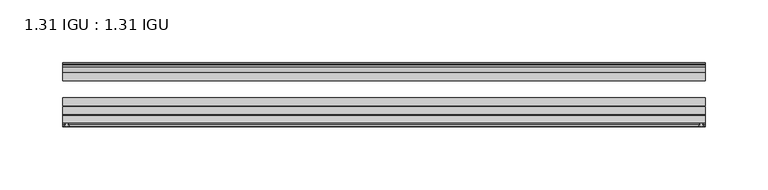
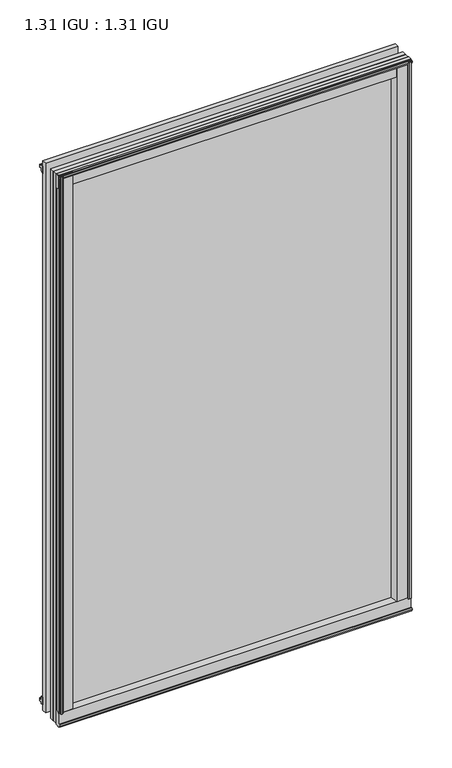
"""IFC4 building model written with IfcOpenShell, lengths in millimetres: plate geometry, 1.31 IGU : 1.31 IGU."""

from ifc_helpers import new_model, si_unit, point, frame, frame_2d, origin, origin_with_axes, place, context, project, spatial, polyline, circle_curve, trimmed, segment, composite_curve, outline, extrude, source, transform, mapped, element, save


def plate_1_31_igu_1_31_igu_50951445(model_context):
    return source(origin(), model_context, "Body", "SweptSolid", [
        extrude(outline(composite_curve([segment(polyline([(251.596726, -57.6333938), (235.4119791, -57.6333938)]), True, "CONTINUOUS"), segment(trimmed(circle_curve(frame_2d((228.1172499, -57.6547678)), 7.2947605), [point((235.4119791, -57.6333938))], [point((231.6695905, -51.2833938))], True, "CARTESIAN"), True, "CONTINUOUS"), segment(polyline([(231.6695905, -51.2833938), (254.5400114, -51.2833938)]), True, "CONTINUOUS"), segment(trimmed(circle_curve(frame_2d((254.5400114, -52.0707938)), 0.7874), [point((254.5400114, -51.2833938))], [point((255.3215422, -51.9748338))], False, "CARTESIAN"), True, "CONTINUOUS"), segment(polyline([(255.3215422, -51.9748338), (256.016326, -57.6333938), (254.085926, -57.6333938), (253.628726, -59.624458), (254.6300879, -59.3561439), (254.873326, -60.263921), (252.841326, -60.8083938), (250.809326, -60.263921), (251.0525641, -59.3561439), (252.053926, -59.624458), (251.596726, -57.6333938)]), True, "CONTINUOUS")], self_intersect=False)), origin_with_axes(), (0.0, 0.0, 1.0), 825.5),
        extrude(outline(composite_curve([segment(polyline([(-235.7096354, -57.6333937), (-251.8943823, -57.6333937), (-252.3515823, -59.624458), (-251.3502204, -59.3561439), (-251.1069823, -60.263921), (-253.1389823, -60.8083937), (-255.1709823, -60.263921), (-254.9277441, -59.3561439), (-253.9263823, -59.624458), (-254.3835823, -57.6333937), (-256.3139823, -57.6333937), (-255.6191985, -51.9748338)]), True, "CONTINUOUS"), segment(trimmed(circle_curve(frame_2d((-254.8376676, -52.0707937)), 0.7874), [point((-255.6191985, -51.9748338))], [point((-254.8376676, -51.2833937))], False, "CARTESIAN"), True, "CONTINUOUS"), segment(polyline([(-254.8376676, -51.2833937), (-231.9672467, -51.2833937)]), True, "CONTINUOUS"), segment(trimmed(circle_curve(frame_2d((-228.4149062, -57.6547678)), 7.2947605), [point((-231.9672467, -51.2833937))], [point((-235.7096354, -57.6333937))], True, "CARTESIAN"), True, "CONTINUOUS")], self_intersect=False)), origin_with_axes(), (0.0, 0.0, 1.0), 825.5),
        extrude(outline(polyline([(-9.7543937, -6.8579998), (-10.4009552, -9.2709998), (-11.2596632, -9.0409097), (-10.8839895, -7.6388763), (-13.1833937, -8.3819998), (-13.1833937, -11.7850089), (-17.9585937, -10.1533914), (-17.9585937, 0.6595133), (-13.1833937, -0.5079998), (-13.1833937, -5.4609998), (-10.8839895, -6.0771233), (-11.2596632, -4.6750899), (-10.4009552, -4.4449998), (-9.7543937, -6.8579998)])), frame((-256.3471354, 0.0, 0.0), z_axis=(1.0, 0.0, 0.0), x_axis=(0.0, 1.0, 0.0)), (0.0, 0.0, 1.0), 512.3966145),
        extrude(outline(composite_curve([segment(polyline([(-51.9748338, -19.930016), (-57.6333937, -20.6247998), (-57.6333937, -18.6943998), (-59.624458, -18.2371998), (-59.3561439, -19.2385617), (-60.263921, -19.4817998), (-60.8083937, -17.4497998), (-60.263921, -15.4177998), (-59.3561439, -15.6610379), (-59.624458, -16.6623998), (-57.6333937, -16.2051998), (-57.6333937, 0.0127002)]), True, "CONTINUOUS"), segment(trimmed(circle_curve(frame_2d((-58.1588233, 7.9620141)), 7.9666598), [point((-57.6333937, 0.0127002))], [point((-51.2833937, 3.9375717))], True, "CARTESIAN"), True, "CONTINUOUS"), segment(polyline([(-51.2833937, 3.9375717), (-51.2833937, -19.1484852)]), True, "CONTINUOUS"), segment(trimmed(circle_curve(frame_2d((-52.0707937, -19.1484852)), 0.7874), [point((-51.2833937, -19.1484852))], [point((-51.9748338, -19.930016))], False, "CARTESIAN"), True, "CONTINUOUS")], self_intersect=False)), frame((-256.3471354, 0.0, 0.0), z_axis=(1.0, 0.0, 0.0), x_axis=(0.0, 1.0, 0.0)), (0.0, 0.0, 1.0), 512.3966145),
        extrude(outline(polyline([(-17.9585937, 816.6033914), (-13.1833937, 818.2350089), (-13.1833937, 814.8319998), (-10.8839895, 814.0888763), (-11.2596632, 815.4909097), (-10.4009552, 815.7209998), (-9.7543937, 813.3079998), (-10.4009552, 810.8949998), (-11.2596632, 811.1250899), (-10.8839895, 812.5271233), (-13.1833937, 811.9109998), (-13.1833937, 806.9579998), (-17.9585937, 805.7904867), (-17.9585937, 816.6033914)])), frame((-256.3471354, 0.0, 0.0), z_axis=(1.0, 0.0, 0.0), x_axis=(0.0, 1.0, 0.0)), (0.0, 0.0, 1.0), 512.3966145),
        extrude(outline(composite_curve([segment(trimmed(circle_curve(frame_2d((-52.0707937, 825.5984852)), 0.7874), [point((-51.9748338, 826.380016))], [point((-51.2833937, 825.5984852))], False, "CARTESIAN"), True, "CONTINUOUS"), segment(polyline([(-51.2833937, 825.5984852), (-51.2833937, 802.5124283)]), True, "CONTINUOUS"), segment(trimmed(circle_curve(frame_2d((-58.1588233, 798.4879859)), 7.9666598), [point((-51.2833937, 802.5124283))], [point((-57.6333937, 806.4372998))], True, "CARTESIAN"), True, "CONTINUOUS"), segment(polyline([(-57.6333937, 806.4372998), (-57.6333937, 822.6551998), (-59.624458, 823.1123998), (-59.3561439, 822.1110379), (-60.263921, 821.8677998), (-60.8083937, 823.8997998), (-60.263921, 825.9317998), (-59.3561439, 825.6885617), (-59.624458, 824.6871998), (-57.6333937, 825.1443998), (-57.6333937, 827.0747998), (-51.9748338, 826.380016)]), True, "CONTINUOUS")], self_intersect=False)), frame((-256.3471354, 0.0, 0.0), z_axis=(1.0, 0.0, 0.0), x_axis=(0.0, 1.0, 0.0)), (0.0, 0.0, 1.0), 512.3966145),
        extrude(outline(polyline([(-244.9360116, -10.8839895), (-246.338045, -11.2596632), (-246.5681352, -10.4009552), (-244.1551352, -9.7543937), (-241.7421352, -10.4009552), (-241.9722253, -11.2596632), (-243.3742587, -10.8839895), (-242.7581352, -13.1833937), (-237.8051352, -13.1833937), (-236.637622, -17.9585937), (-247.4505268, -17.9585937), (-249.0821443, -13.1833937), (-245.6791352, -13.1833937), (-244.9360116, -10.8839895)])), origin_with_axes(), (0.0, 0.0, 1.0), 806.45),
        extrude(outline(polyline([(244.9487118, -10.8839895), (245.6918354, -13.1833937), (249.0948445, -13.1833937), (247.463227, -17.9585937), (236.6503223, -17.9585937), (237.8178354, -13.1833937), (242.7708354, -13.1833937), (243.3869589, -10.8839895), (241.9849255, -11.2596632), (241.7548354, -10.4009552), (244.1678354, -9.7543937), (246.5808354, -10.4009552), (246.3507452, -11.2596632), (244.9487118, -10.8839895)])), origin_with_axes(), (0.0, 0.0, 1.0), 806.45),
        extrude(outline(polyline([(256.0494791, -17.9585937), (256.0494791, -24.3085937), (-256.3471354, -24.3085937), (-256.3471354, -17.9585937), (256.0494791, -17.9585937)])), frame((0.0, 0.0, -19.0372998), z_axis=(0.0, 0.0, 1.0), x_axis=(1.0, 0.0, 0.0)), (0.0, 0.0, 1.0), 844.5372998),
        extrude(outline(polyline([(-256.3471354, -44.1459937), (-256.3471354, -37.7959937), (256.0494791, -37.7959937), (256.0494791, -44.1459937), (-256.3471354, -44.1459937)])), frame((0.0, 0.0, -19.0372998), z_axis=(0.0, 0.0, 1.0), x_axis=(1.0, 0.0, 0.0)), (0.0, 0.0, 1.0), 844.5372998),
        extrude(outline(polyline([(-256.3471354, -51.2833937), (-256.3471354, -44.9333937), (256.0494791, -44.9333937), (256.0494791, -51.2833937), (-256.3471354, -51.2833937)])), frame((0.0, 0.0, -19.0372998), z_axis=(0.0, 0.0, 1.0), x_axis=(1.0, 0.0, 0.0)), (0.0, 0.0, 1.0), 844.5372998),
    ])


if __name__ == "__main__":
    model = new_model("IFC4")
    model_context = context("Model", 3, world=origin())
    ifc_project = project(units=[si_unit("LENGTHUNIT", "METRE", prefix="MILLI")], contexts=[model_context])
    site = spatial("IfcSite", under=ifc_project)
    building = spatial("IfcBuilding", under=site)
    placement = place(None, origin())
    plate_1_31_igu_1_31_igu_shape = plate_1_31_igu_1_31_igu_50951445(model_context)
    element("IfcPlate", 1, ObjectType="1.31 IGU : 1.31 IGU", at=placement, inside=building, context=model_context, shape_type="MappedRepresentation", body=[
        mapped(plate_1_31_igu_1_31_igu_shape, transform((0.0, 0.0, 0.0), x_axis=(1.0, 0.0, 0.0), y_axis=(0.0, 1.0, 0.0), z_axis=(0.0, 0.0, 1.0))),
    ])
    save(model, "model.ifc")
